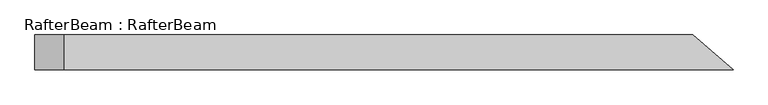
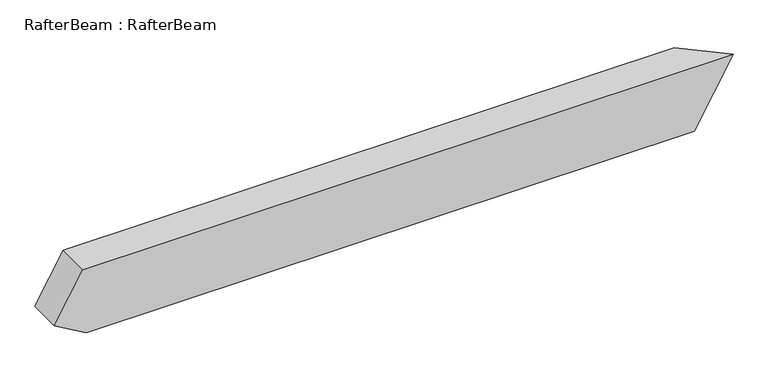
"""IFC4 building model written with IfcOpenShell, lengths in millimetres: beam geometry, RafterBeam : RafterBeam."""

from ifc_helpers import new_model, si_unit, origin, place, context, project, spatial, faceted_brep, source, transform, mapped, element, save


def rafterbeam_rafterbeam_cd3e8d75(model_context):
    return source(origin(), model_context, "Body", "Brep", [
        faceted_brep([(759.9309304, -40.0, 80.0), (666.7007518, 40.0, 80.0), (-778.6355676, 40.0, 80.0), (-778.6355676, -40.0, 80.0), (574.3247087, 40.0, -80.0), (667.5548873, -40.0, -80.0), (-771.0116107, -40.0, -80.0), (-771.0116107, 40.0, -80.0), (-846.0116107, 40.0, -36.6987298), (-846.0116107, -40.0, -36.6987298)], [[[0, 1, 2, 3]], [[4, 5, 6, 7]], [[1, 4, 7, 8, 2]], [[5, 0, 3, 9, 6]], [[0, 5, 4, 1]], [[3, 2, 8, 9]], [[7, 6, 9, 8]]]),
    ])


if __name__ == "__main__":
    model = new_model("IFC4")
    model_context = context("Model", 3, world=origin())
    ifc_project = project(units=[si_unit("LENGTHUNIT", "METRE", prefix="MILLI")], contexts=[model_context])
    site = spatial("IfcSite", under=ifc_project)
    building = spatial("IfcBuilding", under=site)
    placement = place(None, origin())
    rafterbeam_rafterbeam_shape = rafterbeam_rafterbeam_cd3e8d75(model_context)
    element("IfcBeam", 1, ObjectType="RafterBeam : RafterBeam", at=placement, inside=building, context=model_context, shape_type="MappedRepresentation", body=[
        mapped(rafterbeam_rafterbeam_shape, transform((0.0, 0.0, 0.0), x_axis=(1.0, 0.0, 0.0), y_axis=(0.0, 1.0, 0.0), z_axis=(0.0, 0.0, 1.0))),
    ])
    save(model, "model.ifc")
